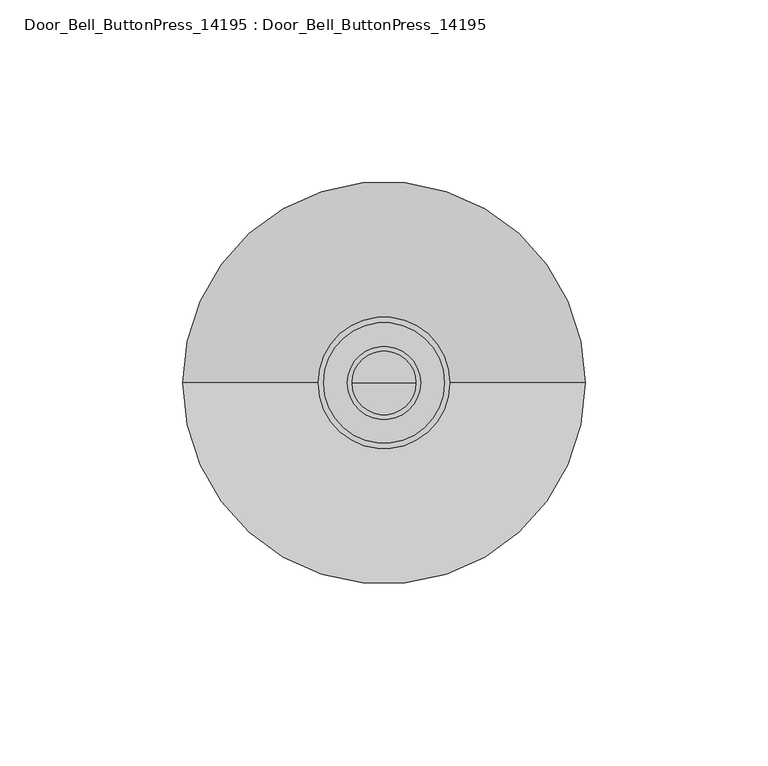
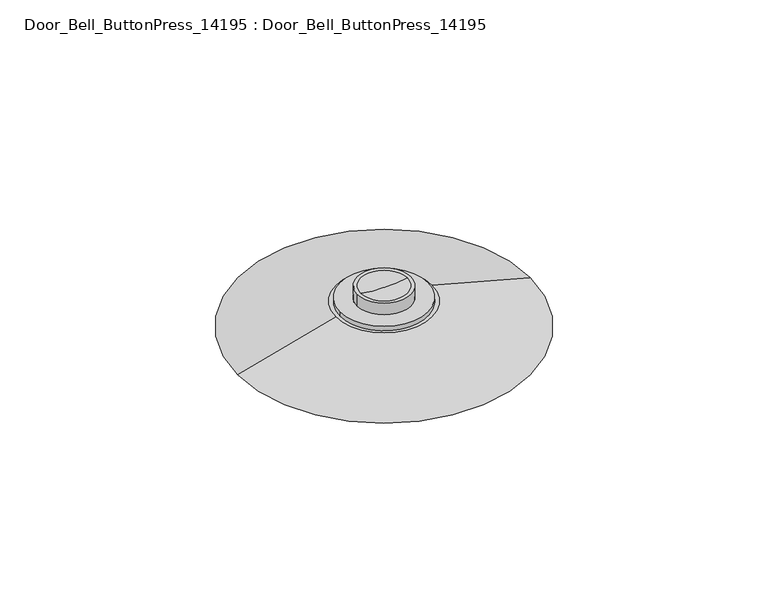
"""IFC4 building model written with IfcOpenShell, lengths in millimetres: proxy geometry, Door_Bell_ButtonPress_14195 : Door_Bell_ButtonPress_14195."""

import ifcopenshell
import ifcopenshell.guid

model = None  # the IFC model being written
_history = None  # IfcOwnerHistory: only IFC2X3 demands one
_inside = {}  # id of a spatial element -> (the spatial element, [elements in it])
_under = {}  # id of a project, library or spatial element -> (it, [spatial elements below it])
_declared = {}  # id of a project -> (the project, [libraries it declares])
_typed = {}  # id of a type object -> (the type object, [elements of that type])
_made_of = {}  # id of a material, layer set ... -> (it, [elements and type objects made of it])


def new_model(schema):
    """Start an empty IFC model of exactly this schema.

    Asked for "IFC4X3", IfcOpenShell would pick the latest addendum, in which some entities
    have other attributes; the version numbers below select the first issue.
    IFC2X3 requires an IfcOwnerHistory on every rooted entity: one is made here for all.
    """
    global model, _history
    if schema == "IFC4X3":
        model = ifcopenshell.file(schema_version=(4, 3, 0, 0))
    else:
        model = ifcopenshell.file(schema=schema)
    _inside.clear()
    _under.clear()
    _declared.clear()
    _typed.clear()
    _made_of.clear()
    _history = None
    if model.schema == "IFC2X3":
        org = make("IfcOrganization", Name="unknown")
        user = make(
            "IfcPersonAndOrganization",
            ThePerson=make("IfcPerson", FamilyName="unknown"),
            TheOrganization=org,
        )
        app = make(
            "IfcApplication",
            ApplicationDeveloper=org,
            Version="unknown",
            ApplicationFullName="unknown",
            ApplicationIdentifier="unknown",
        )
        _history = make(
            "IfcOwnerHistory",
            OwningUser=user,
            OwningApplication=app,
            ChangeAction="ADDED",
            CreationDate=0,
        )
    return model


def make(cls, **values):
    """One entity of the class cls with the attributes given. An attribute that is None is left unset."""
    return model.create_entity(
        cls, **{name: value for name, value in values.items() if value is not None}
    )


def rooted(cls, **values):
    """An entity with a GlobalId (a new one), such as an element, a storey or a relation."""
    return make(cls, GlobalId=ifcopenshell.guid.new(), OwnerHistory=_history, **values)


def si_unit(unit_type, name, prefix=None):
    """IfcSIUnit, for example si_unit("LENGTHUNIT", "METRE", prefix="MILLI")."""
    return make("IfcSIUnit", UnitType=unit_type, Prefix=prefix, Name=name)


def assignment(units):
    """IfcUnitAssignment: the units of a project."""
    return None if units is None else make("IfcUnitAssignment", Units=units)


def point(xyz):
    """IfcCartesianPoint."""
    return None if xyz is None else make("IfcCartesianPoint", Coordinates=xyz)


def direction(xyz):
    """IfcDirection."""
    return None if xyz is None else make("IfcDirection", DirectionRatios=xyz)


def frame(location, z_axis=None, x_axis=None):
    """IfcAxis2Placement3D, a coordinate frame: its origin and axes. An axis left out is left unset."""
    return make(
        "IfcAxis2Placement3D",
        Location=point(location),
        Axis=direction(z_axis),
        RefDirection=direction(x_axis),
    )


def frame_2d(location, x_axis=None):
    """IfcAxis2Placement2D, a coordinate frame in the plane: its origin and x axis."""
    return make(
        "IfcAxis2Placement2D", Location=point(location), RefDirection=direction(x_axis)
    )


def origin():
    """The frame at (0, 0, 0) with its axes left unset."""
    return frame((0.0, 0.0, 0.0))


def origin_2d():
    """The frame at (0, 0) in the plane with its x axis left unset."""
    return frame_2d((0.0, 0.0))


def place(relative_to, where):
    """IfcLocalPlacement: puts the frame where relative to a parent placement (None: the world)."""
    return make(
        "IfcLocalPlacement", PlacementRelTo=relative_to, RelativePlacement=where
    )


def context(
    kind, dimensions, precision=None, world=None, true_north=None, identifier=None
):
    """IfcGeometricRepresentationContext, for example the 3D "Model" context."""
    return make(
        "IfcGeometricRepresentationContext",
        ContextIdentifier=identifier,
        ContextType=kind,
        CoordinateSpaceDimension=dimensions,
        Precision=precision,
        WorldCoordinateSystem=world,
        TrueNorth=true_north,
    )


def project(units=None, contexts=None):
    """IfcProject with its units and contexts."""
    return rooted(
        "IfcProject",
        Name="project",
        RepresentationContexts=contexts,
        UnitsInContext=assignment(units),
    )


def spatial(cls, under=None, at=None, **own):
    """A site, building, storey or space (cls), placed at a placement, below another one or the project."""
    s = rooted(cls, ObjectPlacement=at, **own)
    if under is not None:
        _under.setdefault(under.id(), (under, []))[1].append(s)
    return s


def polyline(points):
    """IfcPolyline through the points."""
    return make("IfcPolyline", Points=[point(p) for p in points])


def circle_curve(where, radius):
    """IfcCircle in the frame where."""
    return make("IfcCircle", Position=where, Radius=radius)


def ellipse_curve(where, semi_axis1, semi_axis2):
    """IfcEllipse in the frame where."""
    return make(
        "IfcEllipse", Position=where, SemiAxis1=semi_axis1, SemiAxis2=semi_axis2
    )


def trimmed(basis, trim1, trim2, sense, master):
    """IfcTrimmedCurve: the piece of a basis curve between two trims."""
    return make(
        "IfcTrimmedCurve",
        BasisCurve=basis,
        Trim1=trim1,
        Trim2=trim2,
        SenseAgreement=sense,
        MasterRepresentation=master,
    )


def segment(curve, same_sense, transition):
    """IfcCompositeCurveSegment."""
    return make(
        "IfcCompositeCurveSegment",
        Transition=transition,
        SameSense=same_sense,
        ParentCurve=curve,
    )


def composite_curve(segments, self_intersect=None):
    """IfcCompositeCurve: segments joined end to end."""
    return make("IfcCompositeCurve", Segments=segments, SelfIntersect=self_intersect)


def outline(outer, holes=None, kind="AREA"):
    """IfcArbitraryClosedProfileDef: a profile drawn as a closed curve; with holes, ...WithVoids."""
    if holes is None:
        return make("IfcArbitraryClosedProfileDef", ProfileType=kind, OuterCurve=outer)
    return make(
        "IfcArbitraryProfileDefWithVoids",
        ProfileType=kind,
        OuterCurve=outer,
        InnerCurves=holes,
    )


def extrude(swept, where, along, depth):
    """IfcExtrudedAreaSolid: the profile swept, set in the frame where, extruded along a direction by depth."""
    return make(
        "IfcExtrudedAreaSolid",
        SweptArea=swept,
        Position=where,
        ExtrudedDirection=direction(along),
        Depth=depth,
    )


def shape(context_of_items, identifier, shape_type, items):
    """IfcShapeRepresentation: the items that make up one representation, for example the "Body"."""
    return make(
        "IfcShapeRepresentation",
        ContextOfItems=context_of_items,
        RepresentationIdentifier=identifier,
        RepresentationType=shape_type,
        Items=items,
    )


def source(mapping_origin, context_of_items, identifier, shape_type, items):
    """IfcRepresentationMap: a shape defined once, which mapped items show again and again."""
    return make(
        "IfcRepresentationMap",
        MappingOrigin=mapping_origin,
        MappedRepresentation=shape(context_of_items, identifier, shape_type, items),
    )


def transform(
    local_origin,
    x_axis=None,
    y_axis=None,
    z_axis=None,
    scale=None,
    scale2=None,
    scale3=None,
    uniform=True,
):
    """IfcCartesianTransformationOperator3D, or its non-uniform kind. x_axis, y_axis, z_axis: its Axis1, 2, 3."""
    if uniform:
        return make(
            "IfcCartesianTransformationOperator3D",
            Axis1=direction(x_axis),
            Axis2=direction(y_axis),
            LocalOrigin=point(local_origin),
            Scale=scale,
            Axis3=direction(z_axis),
        )
    return make(
        "IfcCartesianTransformationOperator3DnonUniform",
        Axis1=direction(x_axis),
        Axis2=direction(y_axis),
        LocalOrigin=point(local_origin),
        Scale=scale,
        Axis3=direction(z_axis),
        Scale2=scale2,
        Scale3=scale3,
    )


def mapped(mapping_source, mapping_target):
    """IfcMappedItem: shows the shape of a source again, moved by a transform."""
    return make(
        "IfcMappedItem", MappingSource=mapping_source, MappingTarget=mapping_target
    )


def made_of(thing, what):
    """Note that an element or type object is made of a material, layer set ...; save() writes the relation."""
    if what is not None:
        _made_of.setdefault(what.id(), (what, []))[1].append(thing)
    return thing


def element(
    cls,
    number,
    at=None,
    inside=None,
    cuts=None,
    type_object=None,
    material=None,
    context=None,
    identifier="Body",
    shape_type=None,
    held_by="IfcProductDefinitionShape",
    body=None,
    shapes=None,
    **own,
):
    """One element of the class cls, such as IfcWall. Its Tag is "e" and its number.

    at: its placement. inside: the storey or other place that contains it. cuts: it is an
    opening in that element (IfcRelVoidsElement). A single representation is given by context,
    identifier, shape_type and body (its items); several are given by shapes. held_by: the class
    of the entity that holds the representations. save() writes the other relations.
    """
    e = rooted(cls, Tag="e%d" % number, ObjectPlacement=at, **own)
    if body is not None:
        shapes = [shape(context, identifier, shape_type, body)]
    if shapes is not None:
        e.Representation = make(held_by, Representations=shapes)
    if inside is not None:
        _inside.setdefault(inside.id(), (inside, []))[1].append(e)
    if cuts is not None:
        rooted(
            "IfcRelVoidsElement", RelatingBuildingElement=cuts, RelatedOpeningElement=e
        )
    if type_object is not None:
        _typed.setdefault(type_object.id(), (type_object, []))[1].append(e)
    return made_of(e, material)


def aggregate(whole, parts):
    """IfcRelAggregates: a whole, such as a stair, and the parts it consists of."""
    return rooted("IfcRelAggregates", RelatingObject=whole, RelatedObjects=parts)


def save(model, path):
    """Write the relations noted so far, then the file.

    IfcRelAggregates (storeys below a building ...), IfcRelContainedInSpatialStructure (elements
    in a storey), IfcRelDefinesByType, IfcRelAssociatesMaterial and IfcRelDeclares: one each for
    every whole, place, type object, material and project.
    """
    for whole, parts in _under.values():
        aggregate(whole, parts)
    for where, things in _inside.values():
        rooted(
            "IfcRelContainedInSpatialStructure",
            RelatedElements=things,
            RelatingStructure=where,
        )
    for kind, things in _typed.values():
        rooted("IfcRelDefinesByType", RelatedObjects=things, RelatingType=kind)
    for what, things in _made_of.values():
        rooted("IfcRelAssociatesMaterial", RelatedObjects=things, RelatingMaterial=what)
    for by, libraries in _declared.values():
        rooted("IfcRelDeclares", RelatingContext=by, RelatedDefinitions=libraries)
    model.write(path)


def plane_surface(at):
    """IfcPlane: the flat surface through the origin of the frame at, square to its z axis."""
    return make("IfcPlane", Position=at)


def cylinder_surface(at, radius):
    """IfcCylindricalSurface: all points at the distance radius from the z axis of the frame at."""
    return make("IfcCylindricalSurface", Position=at, Radius=radius)


def revolved_surface(curve, axis_point, axis_direction):
    """IfcSurfaceOfRevolution: the curve turned about the line through axis_point along axis_direction."""
    return make(
        "IfcSurfaceOfRevolution",
        SweptCurve=make("IfcArbitraryOpenProfileDef", ProfileType="CURVE", Curve=curve),
        AxisPosition=make("IfcAxis1Placement", Location=point(axis_point), Axis=direction(axis_direction)),
    )


def advanced_brep(points, edges, surfaces, faces):
    """IfcAdvancedBrep: a solid bounded by faces that lie on surfaces and meet in shared edges.

    An edge is (start, end): straight between two places in points (the first is 0);
    or (start, end, curve); or (start, end, curve, False) where it runs against its curve.
    A face is (place in surfaces, loops), or (place, loops, False) where it looks against
    its surface's normal. A loop lists edges by number (the first is 1), with a minus sign
    where the edge is run from its end to its start. The first loop is the outer one.
    """
    corners = [point(p) for p in points]
    vertices = [make("IfcVertexPoint", VertexGeometry=c) for c in corners]
    made = []
    for start, end, *more in edges:
        made.append(
            make(
                "IfcEdgeCurve",
                EdgeStart=vertices[start],
                EdgeEnd=vertices[end],
                EdgeGeometry=more[0] if more else make("IfcPolyline", Points=[corners[start], corners[end]]),
                SameSense=more[1] if len(more) > 1 else True,
            )
        )
    hull = []
    for where, loops, *sense in faces:
        bounds = []
        for j, loop in enumerate(loops):
            ring = [make("IfcOrientedEdge", EdgeElement=made[abs(k) - 1], Orientation=k > 0) for k in loop]
            bounds.append(
                make(
                    "IfcFaceOuterBound" if j == 0 else "IfcFaceBound",
                    Bound=make("IfcEdgeLoop", EdgeList=ring),
                    Orientation=True,
                )
            )
        hull.append(make("IfcAdvancedFace", Bounds=bounds, FaceSurface=surfaces[where], SameSense=sense[0] if sense else True))
    return make("IfcAdvancedBrep", Outer=make("IfcClosedShell", CfsFaces=hull))


def door_bell_buttonpress_14195_door_bell_buttonpress_14195_1ddac99c(model_context):
    return source(origin(), model_context, "Body", "SolidModel", [
        extrude(outline(composite_curve([segment(trimmed(circle_curve(origin_2d(), 16.5), [point((-16.5, 0.0))], [point((16.5, 0.0))], False, "CARTESIAN"), True, "CONTINUOUS"), segment(trimmed(circle_curve(origin_2d(), 16.5), [point((16.5, 0.0))], [point((-16.5, 0.0))], False, "CARTESIAN"), True, "CONTINUOUS")], self_intersect=False), holes=[composite_curve([segment(trimmed(circle_curve(origin_2d(), 10.0), [point((-10.0, 0.0))], [point((10.0, 0.0))], True, "CARTESIAN"), True, "CONTINUOUS"), segment(trimmed(circle_curve(origin_2d(), 10.0), [point((10.0, 0.0))], [point((-10.0, 0.0))], True, "CARTESIAN"), True, "CONTINUOUS")], self_intersect=False)]), frame((0.0, 0.0, 7.4794148), z_axis=(0.0, 0.0, 1.0), x_axis=(1.0, 0.0, 0.0)), (0.0, 0.0, 1.0), 4.0410564),
        advanced_brep(
        [(-10.0, 0.0, 16.1510501), (10.0, 0.0, 16.1510501), (-8.7121146, 0.0, 16.1510501), (8.7121146, 0.0, 16.1510501), (-10.0, 0.0, 10.0), (10.0, 0.0, 10.0), (0.0, 0.0, 15.3888389)],
        [
            (0, 1, circle_curve(frame((0.0, 0.0, 16.1510501), z_axis=(0.0, 0.0, 1.0), x_axis=(1.0, 0.0, 0.0)), 10.0)),
            (1, 0, circle_curve(frame((0.0, 0.0, 16.1510501), z_axis=(0.0, 0.0, 1.0), x_axis=(1.0, 0.0, 0.0)), 10.0)),
            (2, 3, circle_curve(frame((0.0, 0.0, 16.1510501), z_axis=(0.0, 0.0, -1.0), x_axis=(1.0, 0.0, 0.0)), 8.7121146)),
            (3, 2, circle_curve(frame((0.0, 0.0, 16.1510501), z_axis=(0.0, 0.0, -1.0), x_axis=(1.0, 0.0, 0.0)), 8.7121146)),
            (4, 5, circle_curve(frame((0.0, 0.0, 10.0), z_axis=(0.0, 0.0, -1.0), x_axis=(1.0, 0.0, 0.0)), 10.0)),
            (5, 4, circle_curve(frame((0.0, 0.0, 10.0), z_axis=(0.0, 0.0, -1.0), x_axis=(1.0, 0.0, 0.0)), 10.0)),
            (0, 4),
            (5, 1),
            (2, 6, circle_curve(frame((-1.427682, 0.0, 49.241427), z_axis=(0.0, -1.0, 0.0), x_axis=(1.0, 0.0, 0.0)), 33.88268)),
            (6, 3, circle_curve(frame((1.427682, 0.0, 49.241427), z_axis=(0.0, -1.0, 0.0), x_axis=(-1.0, 0.0, 0.0)), 33.88268)),
        ],
        [
            plane_surface(frame((10.0, 0.0, 16.1510501), z_axis=(0.0, 0.0, 1.0), x_axis=(0.0, 1.0, 0.0))),
            plane_surface(frame((10.0, 0.0, 10.0), z_axis=(0.0, 0.0, -1.0), x_axis=(0.0, -1.0, 0.0))),
            cylinder_surface(frame((0.0, 0.0, 10.0), z_axis=(0.0, 0.0, 1.0), x_axis=(1.0, 0.0, 0.0)), 10.0),
            revolved_surface(trimmed(ellipse_curve(frame((1.427682, 0.0, 49.241427), z_axis=(0.0, 1.0, 0.0), x_axis=(-1.0, 0.0, 0.0)), 33.88268, 33.88268), [point((8.7121146, 0.0, 16.1510501))], [point((0.0, 0.0, 15.3888389))], True, "CARTESIAN"), (0.0, 0.0, -609.6), (0.0, 0.0, 1.0)),
        ],
        [
            (0, [[1, 2], [3, 4]]),
            (1, [[5, 6]]),
            (2, [[-1, 7, -6, 8]]),
            (2, [[-2, -8, -5, -7]]),
            (3, [[9, 10, -3]]),
            (3, [[-9, -4, -10]]),
        ],
    ),
        advanced_brep(
        [(-18.0, 0.0, 10.0), (18.0, 0.0, 10.0), (-55.0, 0.0, 0.0), (55.0, 0.0, 0.0)],
        [
            (0, 1, circle_curve(frame((0.0, 0.0, 10.0), z_axis=(0.0, 0.0, 1.0), x_axis=(-1.0, 0.0, 0.0)), 18.0)),
            (1, 0, circle_curve(frame((0.0, 0.0, 10.0), z_axis=(0.0, 0.0, 1.0), x_axis=(1.0, 0.0, 0.0)), 18.0)),
            (2, 3, circle_curve(frame((0.0, 0.0, 0.0), z_axis=(0.0, 0.0, -1.0), x_axis=(1.0, 0.0, 0.0)), 55.0)),
            (3, 2, circle_curve(frame((0.0, 0.0, 0.0), z_axis=(0.0, 0.0, -1.0), x_axis=(-1.0, 0.0, 0.0)), 55.0)),
            (3, 1),
            (0, 2),
        ],
        [
            plane_surface(frame((0.0, 0.0, 10.0), z_axis=(0.0, 0.0, 1.0), x_axis=(0.0, -1.0, 0.0))),
            plane_surface(frame((0.0, 0.0, 0.0), z_axis=(0.0, 0.0, -1.0), x_axis=(0.0, -1.0, 0.0))),
            revolved_surface(polyline([(-18.00000008745455, 0.0, 10.0), (-55.0, 0.0, 0.0)]), (0.0, 0.0, 14.8648649), (0.0, 0.0, -1.0)),
            revolved_surface(polyline([(18.00000008745455, 0.0, 10.0), (55.0, 0.0, 0.0)]), (0.0, 0.0, 14.8648649), (0.0, 0.0, -1.0)),
        ],
        [
            (0, [[1, 2]]),
            (1, [[3, 4]]),
            (2, [[-4, 5, -1, 6]]),
            (3, [[-3, -6, -2, -5]]),
        ],
    ),
    ])


if __name__ == "__main__":
    model = new_model("IFC4")
    model_context = context("Model", 3, world=origin())
    ifc_project = project(units=[si_unit("LENGTHUNIT", "METRE", prefix="MILLI")], contexts=[model_context])
    site = spatial("IfcSite", under=ifc_project)
    building = spatial("IfcBuilding", under=site)
    placement = place(None, origin())
    door_bell_buttonpress_14195_door_bell_buttonpress_14195_shape = door_bell_buttonpress_14195_door_bell_buttonpress_14195_1ddac99c(model_context)
    element("IfcBuildingElementProxy", 1, Name="Door_Bell_ButtonPress_14195 : Door_Bell_ButtonPress_14195", ObjectType="Door_Bell_ButtonPress_14195 : Door_Bell_ButtonPress_14195", at=placement, inside=building, context=model_context, shape_type="MappedRepresentation", body=[
        mapped(door_bell_buttonpress_14195_door_bell_buttonpress_14195_shape, transform((0.0, 0.0, 0.0), x_axis=(1.0, 0.0, 0.0), y_axis=(0.0, 1.0, 0.0), z_axis=(0.0, 0.0, 1.0))),
    ])
    save(model, "model.ifc")
